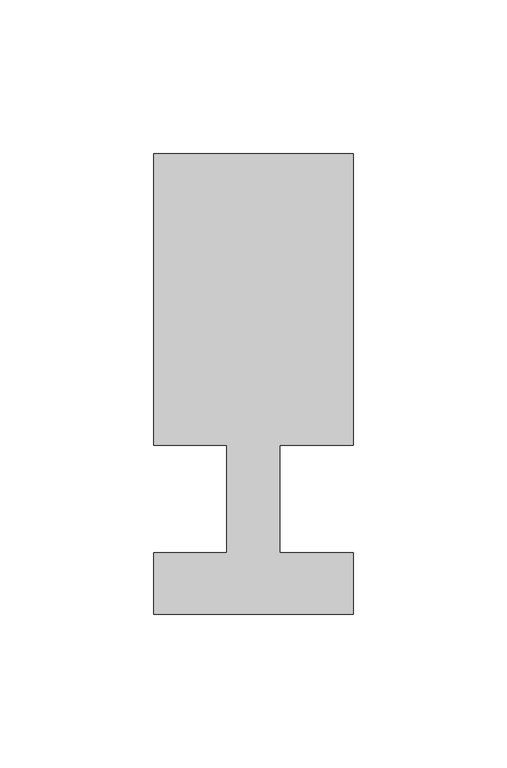
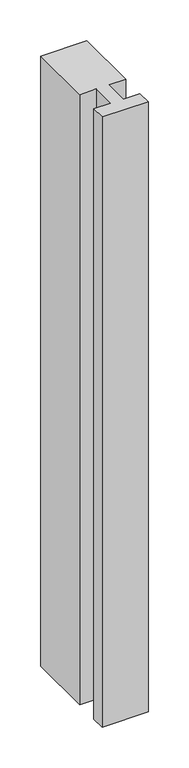
"""IFC4 building model written with IfcOpenShell, lengths in millimetres: member geometry."""

import ifcopenshell
import ifcopenshell.guid

model = None  # the IFC model being written
_history = None  # IfcOwnerHistory: only IFC2X3 demands one
_inside = {}  # id of a spatial element -> (the spatial element, [elements in it])
_under = {}  # id of a project, library or spatial element -> (it, [spatial elements below it])
_declared = {}  # id of a project -> (the project, [libraries it declares])
_typed = {}  # id of a type object -> (the type object, [elements of that type])
_made_of = {}  # id of a material, layer set ... -> (it, [elements and type objects made of it])


def new_model(schema):
    """Start an empty IFC model of exactly this schema.

    Asked for "IFC4X3", IfcOpenShell would pick the latest addendum, in which some entities
    have other attributes; the version numbers below select the first issue.
    IFC2X3 requires an IfcOwnerHistory on every rooted entity: one is made here for all.
    """
    global model, _history
    if schema == "IFC4X3":
        model = ifcopenshell.file(schema_version=(4, 3, 0, 0))
    else:
        model = ifcopenshell.file(schema=schema)
    _inside.clear()
    _under.clear()
    _declared.clear()
    _typed.clear()
    _made_of.clear()
    _history = None
    if model.schema == "IFC2X3":
        org = make("IfcOrganization", Name="unknown")
        user = make(
            "IfcPersonAndOrganization",
            ThePerson=make("IfcPerson", FamilyName="unknown"),
            TheOrganization=org,
        )
        app = make(
            "IfcApplication",
            ApplicationDeveloper=org,
            Version="unknown",
            ApplicationFullName="unknown",
            ApplicationIdentifier="unknown",
        )
        _history = make(
            "IfcOwnerHistory",
            OwningUser=user,
            OwningApplication=app,
            ChangeAction="ADDED",
            CreationDate=0,
        )
    return model


def make(cls, **values):
    """One entity of the class cls with the attributes given. An attribute that is None is left unset."""
    return model.create_entity(
        cls, **{name: value for name, value in values.items() if value is not None}
    )


def rooted(cls, **values):
    """An entity with a GlobalId (a new one), such as an element, a storey or a relation."""
    return make(cls, GlobalId=ifcopenshell.guid.new(), OwnerHistory=_history, **values)


def si_unit(unit_type, name, prefix=None):
    """IfcSIUnit, for example si_unit("LENGTHUNIT", "METRE", prefix="MILLI")."""
    return make("IfcSIUnit", UnitType=unit_type, Prefix=prefix, Name=name)


def assignment(units):
    """IfcUnitAssignment: the units of a project."""
    return None if units is None else make("IfcUnitAssignment", Units=units)


def point(xyz):
    """IfcCartesianPoint."""
    return None if xyz is None else make("IfcCartesianPoint", Coordinates=xyz)


def direction(xyz):
    """IfcDirection."""
    return None if xyz is None else make("IfcDirection", DirectionRatios=xyz)


def frame(location, z_axis=None, x_axis=None):
    """IfcAxis2Placement3D, a coordinate frame: its origin and axes. An axis left out is left unset."""
    return make(
        "IfcAxis2Placement3D",
        Location=point(location),
        Axis=direction(z_axis),
        RefDirection=direction(x_axis),
    )


def origin():
    """The frame at (0, 0, 0) with its axes left unset."""
    return frame((0.0, 0.0, 0.0))


def place(relative_to, where):
    """IfcLocalPlacement: puts the frame where relative to a parent placement (None: the world)."""
    return make(
        "IfcLocalPlacement", PlacementRelTo=relative_to, RelativePlacement=where
    )


def context(
    kind, dimensions, precision=None, world=None, true_north=None, identifier=None
):
    """IfcGeometricRepresentationContext, for example the 3D "Model" context."""
    return make(
        "IfcGeometricRepresentationContext",
        ContextIdentifier=identifier,
        ContextType=kind,
        CoordinateSpaceDimension=dimensions,
        Precision=precision,
        WorldCoordinateSystem=world,
        TrueNorth=true_north,
    )


def project(units=None, contexts=None):
    """IfcProject with its units and contexts."""
    return rooted(
        "IfcProject",
        Name="project",
        RepresentationContexts=contexts,
        UnitsInContext=assignment(units),
    )


def spatial(cls, under=None, at=None, **own):
    """A site, building, storey or space (cls), placed at a placement, below another one or the project."""
    s = rooted(cls, ObjectPlacement=at, **own)
    if under is not None:
        _under.setdefault(under.id(), (under, []))[1].append(s)
    return s


def polyline(points):
    """IfcPolyline through the points."""
    return make("IfcPolyline", Points=[point(p) for p in points])


def outline(outer, holes=None, kind="AREA"):
    """IfcArbitraryClosedProfileDef: a profile drawn as a closed curve; with holes, ...WithVoids."""
    if holes is None:
        return make("IfcArbitraryClosedProfileDef", ProfileType=kind, OuterCurve=outer)
    return make(
        "IfcArbitraryProfileDefWithVoids",
        ProfileType=kind,
        OuterCurve=outer,
        InnerCurves=holes,
    )


def extrude(swept, where, along, depth):
    """IfcExtrudedAreaSolid: the profile swept, set in the frame where, extruded along a direction by depth."""
    return make(
        "IfcExtrudedAreaSolid",
        SweptArea=swept,
        Position=where,
        ExtrudedDirection=direction(along),
        Depth=depth,
    )


def shape(context_of_items, identifier, shape_type, items):
    """IfcShapeRepresentation: the items that make up one representation, for example the "Body"."""
    return make(
        "IfcShapeRepresentation",
        ContextOfItems=context_of_items,
        RepresentationIdentifier=identifier,
        RepresentationType=shape_type,
        Items=items,
    )


def source(mapping_origin, context_of_items, identifier, shape_type, items):
    """IfcRepresentationMap: a shape defined once, which mapped items show again and again."""
    return make(
        "IfcRepresentationMap",
        MappingOrigin=mapping_origin,
        MappedRepresentation=shape(context_of_items, identifier, shape_type, items),
    )


def transform(
    local_origin,
    x_axis=None,
    y_axis=None,
    z_axis=None,
    scale=None,
    scale2=None,
    scale3=None,
    uniform=True,
):
    """IfcCartesianTransformationOperator3D, or its non-uniform kind. x_axis, y_axis, z_axis: its Axis1, 2, 3."""
    if uniform:
        return make(
            "IfcCartesianTransformationOperator3D",
            Axis1=direction(x_axis),
            Axis2=direction(y_axis),
            LocalOrigin=point(local_origin),
            Scale=scale,
            Axis3=direction(z_axis),
        )
    return make(
        "IfcCartesianTransformationOperator3DnonUniform",
        Axis1=direction(x_axis),
        Axis2=direction(y_axis),
        LocalOrigin=point(local_origin),
        Scale=scale,
        Axis3=direction(z_axis),
        Scale2=scale2,
        Scale3=scale3,
    )


def mapped(mapping_source, mapping_target):
    """IfcMappedItem: shows the shape of a source again, moved by a transform."""
    return make(
        "IfcMappedItem", MappingSource=mapping_source, MappingTarget=mapping_target
    )


def made_of(thing, what):
    """Note that an element or type object is made of a material, layer set ...; save() writes the relation."""
    if what is not None:
        _made_of.setdefault(what.id(), (what, []))[1].append(thing)
    return thing


def element(
    cls,
    number,
    at=None,
    inside=None,
    cuts=None,
    type_object=None,
    material=None,
    context=None,
    identifier="Body",
    shape_type=None,
    held_by="IfcProductDefinitionShape",
    body=None,
    shapes=None,
    **own,
):
    """One element of the class cls, such as IfcWall. Its Tag is "e" and its number.

    at: its placement. inside: the storey or other place that contains it. cuts: it is an
    opening in that element (IfcRelVoidsElement). A single representation is given by context,
    identifier, shape_type and body (its items); several are given by shapes. held_by: the class
    of the entity that holds the representations. save() writes the other relations.
    """
    e = rooted(cls, Tag="e%d" % number, ObjectPlacement=at, **own)
    if body is not None:
        shapes = [shape(context, identifier, shape_type, body)]
    if shapes is not None:
        e.Representation = make(held_by, Representations=shapes)
    if inside is not None:
        _inside.setdefault(inside.id(), (inside, []))[1].append(e)
    if cuts is not None:
        rooted(
            "IfcRelVoidsElement", RelatingBuildingElement=cuts, RelatedOpeningElement=e
        )
    if type_object is not None:
        _typed.setdefault(type_object.id(), (type_object, []))[1].append(e)
    return made_of(e, material)


def aggregate(whole, parts):
    """IfcRelAggregates: a whole, such as a stair, and the parts it consists of."""
    return rooted("IfcRelAggregates", RelatingObject=whole, RelatedObjects=parts)


def save(model, path):
    """Write the relations noted so far, then the file.

    IfcRelAggregates (storeys below a building ...), IfcRelContainedInSpatialStructure (elements
    in a storey), IfcRelDefinesByType, IfcRelAssociatesMaterial and IfcRelDeclares: one each for
    every whole, place, type object, material and project.
    """
    for whole, parts in _under.values():
        aggregate(whole, parts)
    for where, things in _inside.values():
        rooted(
            "IfcRelContainedInSpatialStructure",
            RelatedElements=things,
            RelatingStructure=where,
        )
    for kind, things in _typed.values():
        rooted("IfcRelDefinesByType", RelatedObjects=things, RelatingType=kind)
    for what, things in _made_of.values():
        rooted("IfcRelAssociatesMaterial", RelatedObjects=things, RelatingMaterial=what)
    for by, libraries in _declared.values():
        rooted("IfcRelDeclares", RelatingContext=by, RelatedDefinitions=libraries)
    model.write(path)


def member_7094e55c(model_context):
    return source(origin(), model_context, "Body", "SweptSolid", [
        extrude(outline(polyline([(0.0, -37.0), (-65.0, -37.0), (-65.0, -17.0), (-41.1875, -17.0), (-41.1875, 18.0), (-65.0, 18.0), (-65.0, 113.0), (0.0, 113.0), (0.0, 18.0), (-23.8125, 18.0), (-23.8125, -17.0), (0.0, -17.0), (0.0, -37.0)])), frame((0.0, 0.0, -912.5), z_axis=(0.0, 0.0, 1.0), x_axis=(1.0, 0.0, 0.0)), (0.0, 0.0, 1.0), 912.5),
    ])


if __name__ == "__main__":
    model = new_model("IFC4")
    model_context = context("Model", 3, world=origin())
    ifc_project = project(units=[si_unit("LENGTHUNIT", "METRE", prefix="MILLI")], contexts=[model_context])
    site = spatial("IfcSite", under=ifc_project)
    building = spatial("IfcBuilding", under=site)
    placement = place(None, origin())
    member_shape = member_7094e55c(model_context)
    element("IfcMember", 1, at=placement, inside=building, context=model_context, shape_type="MappedRepresentation", body=[
        mapped(member_shape, transform((0.0, 0.0, 0.0), x_axis=(1.0, 0.0, 0.0), y_axis=(0.0, 1.0, 0.0), z_axis=(0.0, 0.0, 1.0))),
    ])
    save(model, "model.ifc")
